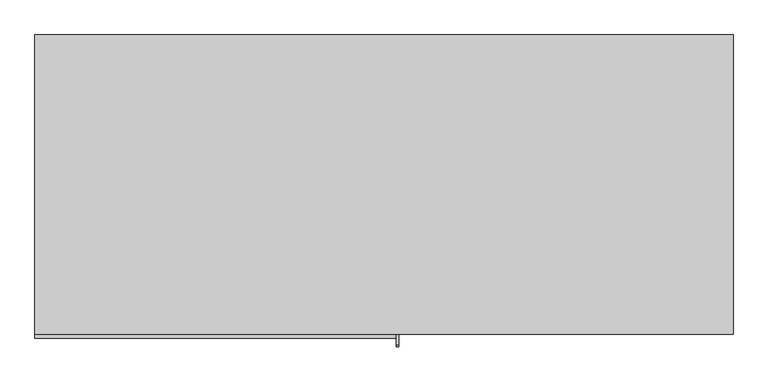
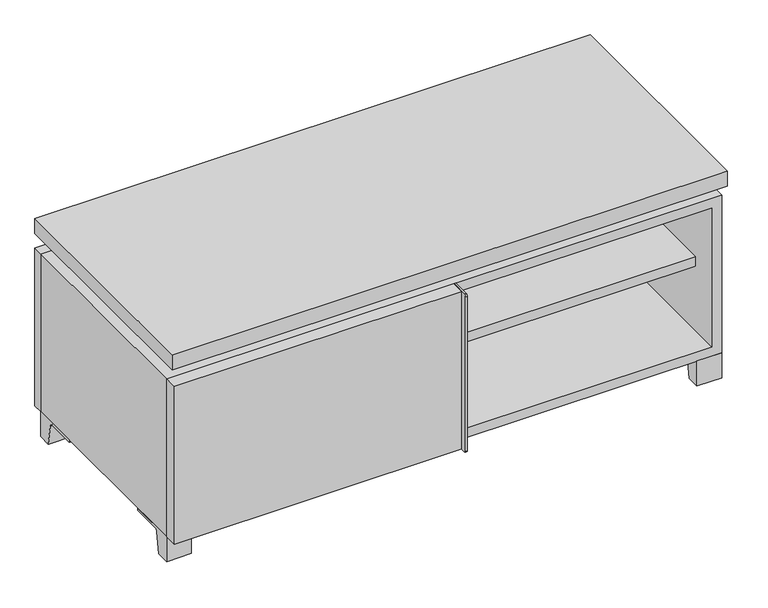
"""IFC4 building model written with IfcOpenShell, lengths in millimetres: furniture geometry."""

import ifcopenshell
import ifcopenshell.guid

model = None  # the IFC model being written
_history = None  # IfcOwnerHistory: only IFC2X3 demands one
_inside = {}  # id of a spatial element -> (the spatial element, [elements in it])
_under = {}  # id of a project, library or spatial element -> (it, [spatial elements below it])
_declared = {}  # id of a project -> (the project, [libraries it declares])
_typed = {}  # id of a type object -> (the type object, [elements of that type])
_made_of = {}  # id of a material, layer set ... -> (it, [elements and type objects made of it])


def new_model(schema):
    """Start an empty IFC model of exactly this schema.

    Asked for "IFC4X3", IfcOpenShell would pick the latest addendum, in which some entities
    have other attributes; the version numbers below select the first issue.
    IFC2X3 requires an IfcOwnerHistory on every rooted entity: one is made here for all.
    """
    global model, _history
    if schema == "IFC4X3":
        model = ifcopenshell.file(schema_version=(4, 3, 0, 0))
    else:
        model = ifcopenshell.file(schema=schema)
    _inside.clear()
    _under.clear()
    _declared.clear()
    _typed.clear()
    _made_of.clear()
    _history = None
    if model.schema == "IFC2X3":
        org = make("IfcOrganization", Name="unknown")
        user = make(
            "IfcPersonAndOrganization",
            ThePerson=make("IfcPerson", FamilyName="unknown"),
            TheOrganization=org,
        )
        app = make(
            "IfcApplication",
            ApplicationDeveloper=org,
            Version="unknown",
            ApplicationFullName="unknown",
            ApplicationIdentifier="unknown",
        )
        _history = make(
            "IfcOwnerHistory",
            OwningUser=user,
            OwningApplication=app,
            ChangeAction="ADDED",
            CreationDate=0,
        )
    return model


def make(cls, **values):
    """One entity of the class cls with the attributes given. An attribute that is None is left unset."""
    return model.create_entity(
        cls, **{name: value for name, value in values.items() if value is not None}
    )


def rooted(cls, **values):
    """An entity with a GlobalId (a new one), such as an element, a storey or a relation."""
    return make(cls, GlobalId=ifcopenshell.guid.new(), OwnerHistory=_history, **values)


def si_unit(unit_type, name, prefix=None):
    """IfcSIUnit, for example si_unit("LENGTHUNIT", "METRE", prefix="MILLI")."""
    return make("IfcSIUnit", UnitType=unit_type, Prefix=prefix, Name=name)


def assignment(units):
    """IfcUnitAssignment: the units of a project."""
    return None if units is None else make("IfcUnitAssignment", Units=units)


def point(xyz):
    """IfcCartesianPoint."""
    return None if xyz is None else make("IfcCartesianPoint", Coordinates=xyz)


def direction(xyz):
    """IfcDirection."""
    return None if xyz is None else make("IfcDirection", DirectionRatios=xyz)


def frame(location, z_axis=None, x_axis=None):
    """IfcAxis2Placement3D, a coordinate frame: its origin and axes. An axis left out is left unset."""
    return make(
        "IfcAxis2Placement3D",
        Location=point(location),
        Axis=direction(z_axis),
        RefDirection=direction(x_axis),
    )


def frame_2d(location, x_axis=None):
    """IfcAxis2Placement2D, a coordinate frame in the plane: its origin and x axis."""
    return make(
        "IfcAxis2Placement2D", Location=point(location), RefDirection=direction(x_axis)
    )


def origin():
    """The frame at (0, 0, 0) with its axes left unset."""
    return frame((0.0, 0.0, 0.0))


def place(relative_to, where):
    """IfcLocalPlacement: puts the frame where relative to a parent placement (None: the world)."""
    return make(
        "IfcLocalPlacement", PlacementRelTo=relative_to, RelativePlacement=where
    )


def context(
    kind, dimensions, precision=None, world=None, true_north=None, identifier=None
):
    """IfcGeometricRepresentationContext, for example the 3D "Model" context."""
    return make(
        "IfcGeometricRepresentationContext",
        ContextIdentifier=identifier,
        ContextType=kind,
        CoordinateSpaceDimension=dimensions,
        Precision=precision,
        WorldCoordinateSystem=world,
        TrueNorth=true_north,
    )


def project(units=None, contexts=None):
    """IfcProject with its units and contexts."""
    return rooted(
        "IfcProject",
        Name="project",
        RepresentationContexts=contexts,
        UnitsInContext=assignment(units),
    )


def spatial(cls, under=None, at=None, **own):
    """A site, building, storey or space (cls), placed at a placement, below another one or the project."""
    s = rooted(cls, ObjectPlacement=at, **own)
    if under is not None:
        _under.setdefault(under.id(), (under, []))[1].append(s)
    return s


def polyline(points):
    """IfcPolyline through the points."""
    return make("IfcPolyline", Points=[point(p) for p in points])


def circle_curve(where, radius):
    """IfcCircle in the frame where."""
    return make("IfcCircle", Position=where, Radius=radius)


def trimmed(basis, trim1, trim2, sense, master):
    """IfcTrimmedCurve: the piece of a basis curve between two trims."""
    return make(
        "IfcTrimmedCurve",
        BasisCurve=basis,
        Trim1=trim1,
        Trim2=trim2,
        SenseAgreement=sense,
        MasterRepresentation=master,
    )


def segment(curve, same_sense, transition):
    """IfcCompositeCurveSegment."""
    return make(
        "IfcCompositeCurveSegment",
        Transition=transition,
        SameSense=same_sense,
        ParentCurve=curve,
    )


def composite_curve(segments, self_intersect=None):
    """IfcCompositeCurve: segments joined end to end."""
    return make("IfcCompositeCurve", Segments=segments, SelfIntersect=self_intersect)


def outline(outer, holes=None, kind="AREA"):
    """IfcArbitraryClosedProfileDef: a profile drawn as a closed curve; with holes, ...WithVoids."""
    if holes is None:
        return make("IfcArbitraryClosedProfileDef", ProfileType=kind, OuterCurve=outer)
    return make(
        "IfcArbitraryProfileDefWithVoids",
        ProfileType=kind,
        OuterCurve=outer,
        InnerCurves=holes,
    )


def extrude(swept, where, along, depth):
    """IfcExtrudedAreaSolid: the profile swept, set in the frame where, extruded along a direction by depth."""
    return make(
        "IfcExtrudedAreaSolid",
        SweptArea=swept,
        Position=where,
        ExtrudedDirection=direction(along),
        Depth=depth,
    )


def faces_of(points, faces, orient=None, outer=None):
    """IfcFace entities. A face is a list of loops; a loop is a list of indices into points, from 0.

    orient and outer hold one flag for each loop. By default every Orientation is true, the
    first loop of a face is its IfcFaceOuterBound and the others are IfcFaceBound.
    """
    made = []
    for i, loops in enumerate(faces):
        bounds = []
        for j, loop in enumerate(loops):
            is_outer = j == 0 if outer is None else outer[i][j]
            bounds.append(
                make(
                    "IfcFaceOuterBound" if is_outer else "IfcFaceBound",
                    Bound=make("IfcPolyLoop", Polygon=[points[k] for k in loop]),
                    Orientation=True if orient is None else orient[i][j],
                )
            )
        made.append(make("IfcFace", Bounds=bounds))
    return made


def faceted_brep(points, faces, orient=None, outer=None, voids=None):
    """IfcFacetedBrep: a solid bounded by flat faces; with voids (closed shells), ...WithVoids."""
    shared = [point(p) for p in points]
    hull = make("IfcClosedShell", CfsFaces=faces_of(shared, faces, orient, outer))
    if voids is None:
        return make("IfcFacetedBrep", Outer=hull)
    return make(
        "IfcFacetedBrepWithVoids",
        Outer=hull,
        Voids=[
            make(cls, CfsFaces=faces_of(shared, fs, o, b)) for cls, fs, o, b in voids
        ],
    )


def shape(context_of_items, identifier, shape_type, items):
    """IfcShapeRepresentation: the items that make up one representation, for example the "Body"."""
    return make(
        "IfcShapeRepresentation",
        ContextOfItems=context_of_items,
        RepresentationIdentifier=identifier,
        RepresentationType=shape_type,
        Items=items,
    )


def source(mapping_origin, context_of_items, identifier, shape_type, items):
    """IfcRepresentationMap: a shape defined once, which mapped items show again and again."""
    return make(
        "IfcRepresentationMap",
        MappingOrigin=mapping_origin,
        MappedRepresentation=shape(context_of_items, identifier, shape_type, items),
    )


def transform(
    local_origin,
    x_axis=None,
    y_axis=None,
    z_axis=None,
    scale=None,
    scale2=None,
    scale3=None,
    uniform=True,
):
    """IfcCartesianTransformationOperator3D, or its non-uniform kind. x_axis, y_axis, z_axis: its Axis1, 2, 3."""
    if uniform:
        return make(
            "IfcCartesianTransformationOperator3D",
            Axis1=direction(x_axis),
            Axis2=direction(y_axis),
            LocalOrigin=point(local_origin),
            Scale=scale,
            Axis3=direction(z_axis),
        )
    return make(
        "IfcCartesianTransformationOperator3DnonUniform",
        Axis1=direction(x_axis),
        Axis2=direction(y_axis),
        LocalOrigin=point(local_origin),
        Scale=scale,
        Axis3=direction(z_axis),
        Scale2=scale2,
        Scale3=scale3,
    )


def mapped(mapping_source, mapping_target):
    """IfcMappedItem: shows the shape of a source again, moved by a transform."""
    return make(
        "IfcMappedItem", MappingSource=mapping_source, MappingTarget=mapping_target
    )


def made_of(thing, what):
    """Note that an element or type object is made of a material, layer set ...; save() writes the relation."""
    if what is not None:
        _made_of.setdefault(what.id(), (what, []))[1].append(thing)
    return thing


def element(
    cls,
    number,
    at=None,
    inside=None,
    cuts=None,
    type_object=None,
    material=None,
    context=None,
    identifier="Body",
    shape_type=None,
    held_by="IfcProductDefinitionShape",
    body=None,
    shapes=None,
    **own,
):
    """One element of the class cls, such as IfcWall. Its Tag is "e" and its number.

    at: its placement. inside: the storey or other place that contains it. cuts: it is an
    opening in that element (IfcRelVoidsElement). A single representation is given by context,
    identifier, shape_type and body (its items); several are given by shapes. held_by: the class
    of the entity that holds the representations. save() writes the other relations.
    """
    e = rooted(cls, Tag="e%d" % number, ObjectPlacement=at, **own)
    if body is not None:
        shapes = [shape(context, identifier, shape_type, body)]
    if shapes is not None:
        e.Representation = make(held_by, Representations=shapes)
    if inside is not None:
        _inside.setdefault(inside.id(), (inside, []))[1].append(e)
    if cuts is not None:
        rooted(
            "IfcRelVoidsElement", RelatingBuildingElement=cuts, RelatedOpeningElement=e
        )
    if type_object is not None:
        _typed.setdefault(type_object.id(), (type_object, []))[1].append(e)
    return made_of(e, material)


def aggregate(whole, parts):
    """IfcRelAggregates: a whole, such as a stair, and the parts it consists of."""
    return rooted("IfcRelAggregates", RelatingObject=whole, RelatedObjects=parts)


def save(model, path):
    """Write the relations noted so far, then the file.

    IfcRelAggregates (storeys below a building ...), IfcRelContainedInSpatialStructure (elements
    in a storey), IfcRelDefinesByType, IfcRelAssociatesMaterial and IfcRelDeclares: one each for
    every whole, place, type object, material and project.
    """
    for whole, parts in _under.values():
        aggregate(whole, parts)
    for where, things in _inside.values():
        rooted(
            "IfcRelContainedInSpatialStructure",
            RelatedElements=things,
            RelatingStructure=where,
        )
    for kind, things in _typed.values():
        rooted("IfcRelDefinesByType", RelatedObjects=things, RelatingType=kind)
    for what, things in _made_of.values():
        rooted("IfcRelAssociatesMaterial", RelatedObjects=things, RelatingMaterial=what)
    for by, libraries in _declared.values():
        rooted("IfcRelDeclares", RelatingContext=by, RelatedDefinitions=libraries)
    model.write(path)


def furniture_c549e319(model_context):
    return source(origin(), model_context, "Body", "SolidModel", [
        extrude(outline(polyline([(9.5319453, 241.3), (514.3569453, 241.3), (514.3569453, -92.075), (9.5319453, -92.075), (9.5319453, 241.3)])), frame((0.0, 0.0, 201.6125), z_axis=(0.0, 0.0, 1.0), x_axis=(1.0, 0.0, 0.0)), (0.0, 0.0, 1.0), 19.05),
        extrude(outline(polyline([(-9.5041641, 241.3), (-9.5041641, -92.075), (-514.3291641, -92.075), (-514.3291641, 241.3), (-9.5041641, 241.3)])), frame((0.0, 0.0, 201.6125), z_axis=(0.0, 0.0, 1.0), x_axis=(1.0, 0.0, 0.0)), (0.0, 0.0, 1.0), 19.05),
        extrude(outline(polyline([(533.4138906, 292.1), (533.4138906, -165.1), (-533.3861094, -165.1), (-533.3861094, 292.1), (533.4138906, 292.1)])), frame((0.0, 0.0, 401.6375), z_axis=(0.0, 0.0, 1.0), x_axis=(1.0, 0.0, 0.0)), (0.0, 0.0, 1.0), 30.1625),
        extrude(outline(composite_curve([segment(polyline([(-146.05, 371.475), (-146.05, 50.8), (-180.975, 50.8)]), True, "CONTINUOUS"), segment(trimmed(circle_curve(frame_2d((-180.975, 53.975)), 3.175), [point((-180.975, 50.8))], [point((-184.15, 53.975))], False, "CARTESIAN"), True, "CONTINUOUS"), segment(polyline([(-184.15, 53.975), (-184.15, 368.3)]), True, "CONTINUOUS"), segment(trimmed(circle_curve(frame_2d((-180.975, 368.3)), 3.175), [point((-184.15, 368.3))], [point((-180.975, 371.475))], False, "CARTESIAN"), True, "CONTINUOUS"), segment(polyline([(-180.975, 371.475), (-146.05, 371.475)]), True, "CONTINUOUS")], self_intersect=False)), frame((19.0638906, 0.0, 0.0), z_axis=(1.0, 0.0, 0.0), x_axis=(0.0, 1.0, 0.0)), (0.0, 0.0, 1.0), 3.175),
        extrude(outline(polyline([(-533.3861094, -146.05), (19.0638906, -146.05), (19.0638906, -171.45), (-533.3861094, -171.45), (-533.3861094, -146.05)])), frame((0.0, 0.0, 50.8), z_axis=(0.0, 0.0, 1.0), x_axis=(1.0, 0.0, 0.0)), (0.0, 0.0, 1.0), 320.675),
        extrude(outline(composite_curve([segment(polyline([(-120.6500136, 0.0), (-146.05, 0.0), (-146.05, 50.8), (-50.8, 50.8), (-50.8, 46.0213321), (-107.6005345, 46.0213321)]), True, "CONTINUOUS"), segment(trimmed(circle_curve(frame_2d((-107.6005345, 39.6713321)), 6.35), [point((-107.6005345, 46.0213321))], [point((-113.8641359, 40.7152656))], True, "CARTESIAN"), True, "CONTINUOUS"), segment(polyline([(-113.8641359, 40.7152656), (-120.6500136, 0.0)]), True, "CONTINUOUS")], self_intersect=False)), frame((485.7888906, 0.0, 0.0), z_axis=(1.0, 0.0, 0.0), x_axis=(0.0, 1.0, 0.0)), (0.0, 0.0, 1.0), 47.625),
        extrude(outline(composite_curve([segment(polyline([(247.6500136, 0.0), (240.8641359, 40.7152656)]), True, "CONTINUOUS"), segment(trimmed(circle_curve(frame_2d((234.6005345, 39.6713321)), 6.35), [point((240.8641359, 40.7152656))], [point((234.6005345, 46.0213321))], True, "CARTESIAN"), True, "CONTINUOUS"), segment(polyline([(234.6005345, 46.0213321), (177.8, 46.0213321), (177.8, 50.8), (273.05, 50.8), (273.05, 0.0), (247.6500136, 0.0)]), True, "CONTINUOUS")], self_intersect=False)), frame((485.7888906, 0.0, 0.0), z_axis=(1.0, 0.0, 0.0), x_axis=(0.0, 1.0, 0.0)), (0.0, 0.0, 1.0), 47.625),
        extrude(outline(composite_curve([segment(polyline([(-120.6500136, 0.0), (-146.05, 0.0), (-146.05, 50.8), (-50.8, 50.8), (-50.8, 46.0213321), (-107.6005345, 46.0213321)]), True, "CONTINUOUS"), segment(trimmed(circle_curve(frame_2d((-107.6005345, 39.6713321)), 6.35), [point((-107.6005345, 46.0213321))], [point((-113.8641359, 40.7152656))], True, "CARTESIAN"), True, "CONTINUOUS"), segment(polyline([(-113.8641359, 40.7152656), (-120.6500136, 0.0)]), True, "CONTINUOUS")], self_intersect=False)), frame((-533.3861094, 0.0, 0.0), z_axis=(1.0, 0.0, 0.0), x_axis=(0.0, 1.0, 0.0)), (0.0, 0.0, 1.0), 47.625),
        extrude(outline(composite_curve([segment(polyline([(247.6500136, 0.0), (240.8641359, 40.7152656)]), True, "CONTINUOUS"), segment(trimmed(circle_curve(frame_2d((234.6005345, 39.6713321)), 6.35), [point((240.8641359, 40.7152656))], [point((234.6005345, 46.0213321))], True, "CARTESIAN"), True, "CONTINUOUS"), segment(polyline([(234.6005345, 46.0213321), (177.8, 46.0213321), (177.8, 50.8), (273.05, 50.8), (273.05, 0.0), (247.6500136, 0.0)]), True, "CONTINUOUS")], self_intersect=False)), frame((-533.3861094, 0.0, 0.0), z_axis=(1.0, 0.0, 0.0), x_axis=(0.0, 1.0, 0.0)), (0.0, 0.0, 1.0), 47.625),
        faceted_brep([(7.9513906, -120.65, 401.6375), (7.9513906, -120.65, 371.475), (7.9513906, 53.975, 371.475), (7.9513906, 53.975, 401.6375), (7.9513906, 247.65, 371.475), (7.9513906, 247.65, 401.6375), (7.9513906, 73.025, 401.6375), (7.9513906, 73.025, 371.475), (-7.9236094, 247.65, 401.6375), (-7.9236094, 247.65, 371.475), (-7.9236094, 73.025, 371.475), (-7.9236094, 73.025, 401.6375), (-7.9236094, -120.65, 371.475), (-7.9236094, -120.65, 401.6375), (-7.9236094, 53.975, 401.6375), (-7.9236094, 53.975, 371.475), (-492.0833281, 73.025, 401.6375), (-492.1041641, 247.65, 401.6375), (-507.9791641, 247.65, 401.6375), (-507.9791641, -120.65, 401.6375), (-492.1041641, -120.65, 401.6375), (-492.1041641, 53.975, 401.6375), (492.1111094, 53.975, 401.6375), (492.1111094, -120.65, 401.6375), (507.9861094, -120.65, 401.6375), (507.9861094, 247.65, 401.6375), (492.1111094, 247.65, 401.6375), (492.1111094, 73.025, 401.6375), (-492.0833281, 53.975, 371.475), (-492.1041641, -120.65, 371.475), (-507.9791641, -120.65, 371.475), (-507.9791641, 247.65, 371.475), (-492.1041641, 247.65, 371.475), (-492.1041641, 73.025, 371.475), (492.1111094, 73.025, 371.475), (492.1111094, 247.65, 371.475), (507.9861094, 247.65, 371.475), (507.9861094, -120.65, 371.475), (492.1111094, -120.65, 371.475), (492.1111094, 53.975, 371.475)], [[[0, 1, 2, 3]], [[4, 5, 6, 7]], [[8, 9, 10, 11]], [[12, 13, 14, 15]], [[5, 8, 11, 16, 17, 18, 19, 20, 21, 14, 13, 0, 3, 22, 23, 24, 25, 26, 27, 6]], [[1, 12, 15, 28, 29, 30, 31, 32, 33, 10, 9, 4, 7, 34, 35, 36, 37, 38, 39, 2]], [[5, 4, 9, 8]], [[1, 0, 13, 12]], [[6, 27, 34, 7]], [[22, 3, 2, 39]], [[20, 29, 28, 21]], [[32, 17, 16, 33]], [[18, 31, 30, 19]], [[29, 20, 19, 30]], [[17, 32, 31, 18]], [[26, 35, 34, 27]], [[38, 23, 22, 39]], [[25, 24, 37, 36]], [[23, 38, 37, 24]], [[35, 26, 25, 36]], [[16, 11, 10, 33]], [[14, 21, 28, 15]]]),
        extrude(outline(polyline([(9.5388906, 241.3), (9.5388906, -95.25), (-9.5111094, -95.25), (-9.5111094, 241.3), (9.5388906, 241.3)])), frame((0.0, 0.0, 69.85), z_axis=(0.0, 0.0, 1.0), x_axis=(1.0, 0.0, 0.0)), (0.0, 0.0, 1.0), 282.575),
        extrude(outline(polyline([(15.8888906, -88.9), (15.8888906, -146.05), (-9.5111094, -146.05), (-9.5111094, -120.65), (3.1888906, -120.65), (3.1888906, -88.9), (15.8888906, -88.9)])), frame((0.0, 0.0, 69.85), z_axis=(0.0, 0.0, 1.0), x_axis=(1.0, 0.0, 0.0)), (0.0, 0.0, 1.0), 282.575),
        extrude(outline(polyline([(533.4138906, 273.05), (-533.3861094, 273.05), (-533.3861094, 292.1), (533.4138906, 292.1), (533.4138906, 273.05)])), frame((0.0, 0.0, 50.8), z_axis=(0.0, 0.0, 1.0), x_axis=(1.0, 0.0, 0.0)), (0.0, 0.0, 1.0), 320.675),
        extrude(outline(polyline([(50.8, -533.3861094), (50.8, 533.4), (371.475, 533.4), (371.475, -533.3861094), (50.8, -533.3861094)]), holes=[polyline([(69.85, -514.3361094), (352.425, -514.3361094), (352.425, 514.3361094), (69.85, 514.3361094), (69.85, -514.3361094)])]), frame((0.0, -146.05, 0.0), z_axis=(0.0, 1.0, 0.0), x_axis=(0.0, 0.0, 1.0)), (0.0, 0.0, 1.0), 419.1),
        extrude(outline(polyline([(-514.3291641, 241.3), (-514.3291641, 247.65), (514.3569453, 247.65), (514.3569453, 241.3), (-514.3291641, 241.3)])), frame((0.0, 0.0, 69.85), z_axis=(0.0, 0.0, 1.0), x_axis=(1.0, 0.0, 0.0)), (0.0, 0.0, 1.0), 282.575),
    ])


if __name__ == "__main__":
    model = new_model("IFC4")
    model_context = context("Model", 3, world=origin())
    ifc_project = project(units=[si_unit("LENGTHUNIT", "METRE", prefix="MILLI")], contexts=[model_context])
    site = spatial("IfcSite", under=ifc_project)
    building = spatial("IfcBuilding", under=site)
    placement = place(None, origin())
    furniture_shape = furniture_c549e319(model_context)
    element("IfcFurniture", 1, at=placement, inside=building, context=model_context, shape_type="MappedRepresentation", body=[
        mapped(furniture_shape, transform((0.0, 0.0, 0.0), x_axis=(1.0, 0.0, 0.0), y_axis=(0.0, 1.0, 0.0), z_axis=(0.0, 0.0, 1.0))),
    ])
    save(model, "model.ifc")
